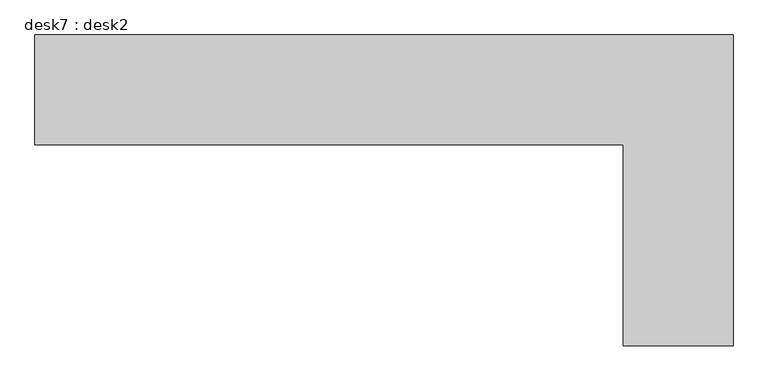
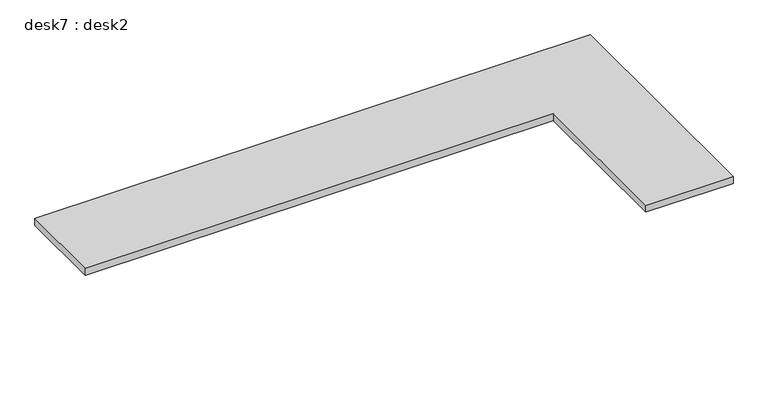
"""IFC4 building model written with IfcOpenShell, lengths in millimetres: furniture geometry, desk7 : desk2."""

from ifc_helpers import new_model, si_unit, frame, origin, place, context, project, spatial, polyline, outline, extrude, source, transform, mapped, element, save


def desk7_desk2_01160174(model_context):
    return source(origin(), model_context, "Body", "SweptSolid", [
        extrude(outline(polyline([(-108419.8318038, -13833.4646139), (-108419.8318038, -13223.8646139), (-104539.0035142, -13223.8646139), (-104539.0035142, -14951.0646139), (-105148.6035142, -14951.0646139), (-105148.6035142, -13833.4646139), (-108419.8318038, -13833.4646139)])), frame((0.0, 0.0, 762.0), z_axis=(0.0, 0.0, 1.0), x_axis=(1.0, 0.0, 0.0)), (0.0, 0.0, 1.0), 50.8),
    ])


if __name__ == "__main__":
    model = new_model("IFC4")
    model_context = context("Model", 3, world=origin())
    ifc_project = project(units=[si_unit("LENGTHUNIT", "METRE", prefix="MILLI")], contexts=[model_context])
    site = spatial("IfcSite", under=ifc_project)
    building = spatial("IfcBuilding", under=site)
    placement = place(None, origin())
    desk7_desk2_shape = desk7_desk2_01160174(model_context)
    element("IfcFurniture", 1, ObjectType="desk7 : desk2", at=placement, inside=building, context=model_context, shape_type="MappedRepresentation", body=[
        mapped(desk7_desk2_shape, transform((0.0, 0.0, 0.0), x_axis=(1.0, 0.0, 0.0), y_axis=(0.0, 1.0, 0.0), z_axis=(0.0, 0.0, 1.0))),
    ])
    save(model, "model.ifc")
